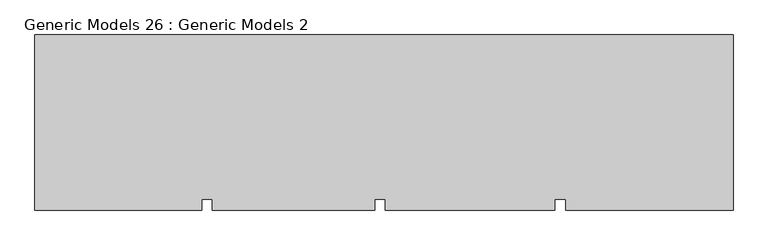
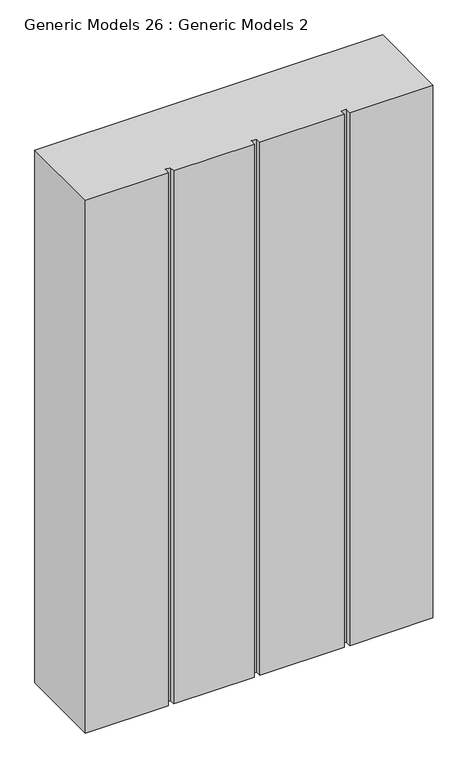
"""IFC4 building model written with IfcOpenShell, lengths in millimetres: proxy geometry, Generic Models 26 : Generic Models 2."""

from ifc_helpers import new_model, si_unit, frame, origin, place, context, project, spatial, polyline, outline, extrude, source, transform, mapped, element, save


def generic_models_26_generic_models_2_b33fceb0(model_context):
    return source(origin(), model_context, "Body", "SweptSolid", [
        extrude(outline(polyline([(2231.7164352, -19881.5060032), (2231.7164352, -20368.5482183), (1767.3070227, -20368.5482183), (1767.3070227, -20336.9057177), (1737.2735899, -20336.9057177), (1737.2735899, -20368.5482183), (1267.3070227, -20368.5482183), (1267.3070227, -20336.9057177), (1237.2735899, -20336.9057177), (1237.2735899, -20368.5482183), (787.3070227, -20368.5482183), (787.3070227, -20336.9057177), (757.2735899, -20336.9057177), (757.2735899, -20368.5482183), (295.0243952, -20368.5482183), (295.0243952, -19881.5060032), (2231.7164352, -19881.5060032)])), frame((0.0, 0.0, 11905.5257027), z_axis=(0.0, 0.0, 1.0), x_axis=(1.0, 0.0, 0.0)), (0.0, 0.0, 1.0), 3139.1810234),
    ])


if __name__ == "__main__":
    model = new_model("IFC4")
    model_context = context("Model", 3, world=origin())
    ifc_project = project(units=[si_unit("LENGTHUNIT", "METRE", prefix="MILLI")], contexts=[model_context])
    site = spatial("IfcSite", under=ifc_project)
    building = spatial("IfcBuilding", under=site)
    placement = place(None, origin())
    generic_models_26_generic_models_2_shape = generic_models_26_generic_models_2_b33fceb0(model_context)
    element("IfcBuildingElementProxy", 1, Name="Generic Models 26 : Generic Models 2", ObjectType="Generic Models 26 : Generic Models 2", at=placement, inside=building, context=model_context, shape_type="MappedRepresentation", body=[
        mapped(generic_models_26_generic_models_2_shape, transform((0.0, 0.0, 0.0), x_axis=(1.0, 0.0, 0.0), y_axis=(0.0, 1.0, 0.0), z_axis=(0.0, 0.0, 1.0))),
    ])
    save(model, "model.ifc")
